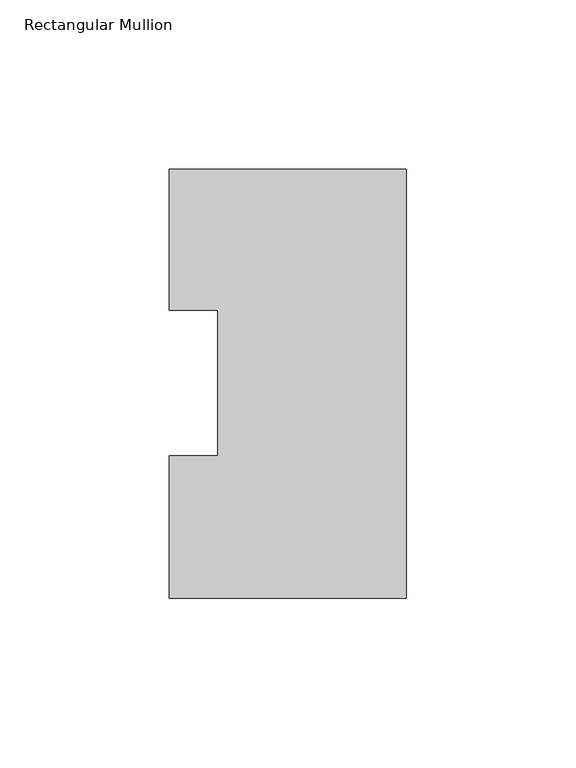
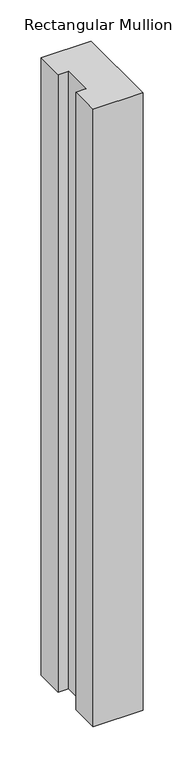
"""IFC4 building model written with IfcOpenShell, lengths in millimetres: member geometry, Rectangular Mullion."""

from ifc_helpers import new_model, si_unit, frame, origin, place, context, project, spatial, polyline, outline, extrude, source, transform, mapped, element, save


def rectangular_mullion_38f43766(model_context):
    return source(origin(), model_context, "Body", "SweptSolid", [
        extrude(outline(polyline([(-69.85, 0.04445), (-69.85, 42.08145), (-55.5625, 42.08145), (-55.5625, 84.93125), (-69.85, 84.93125), (-69.85, 126.53645), (0.0, 126.53645), (0.0, 0.04445), (-69.85, 0.04445)])), frame((0.0, 0.0, -914.4), z_axis=(0.0, 0.0, 1.0), x_axis=(1.0, 0.0, 0.0)), (0.0, 0.0, 1.0), 914.4),
    ])


if __name__ == "__main__":
    model = new_model("IFC4")
    model_context = context("Model", 3, world=origin())
    ifc_project = project(units=[si_unit("LENGTHUNIT", "METRE", prefix="MILLI")], contexts=[model_context])
    site = spatial("IfcSite", under=ifc_project)
    building = spatial("IfcBuilding", under=site)
    placement = place(None, origin())
    rectangular_mullion_shape = rectangular_mullion_38f43766(model_context)
    element("IfcMember", 1, ObjectType="Rectangular Mullion", at=placement, inside=building, context=model_context, shape_type="MappedRepresentation", body=[
        mapped(rectangular_mullion_shape, transform((0.0, 0.0, 0.0), x_axis=(1.0, 0.0, 0.0), y_axis=(0.0, 1.0, 0.0), z_axis=(0.0, 0.0, 1.0))),
    ])
    save(model, "model.ifc")
